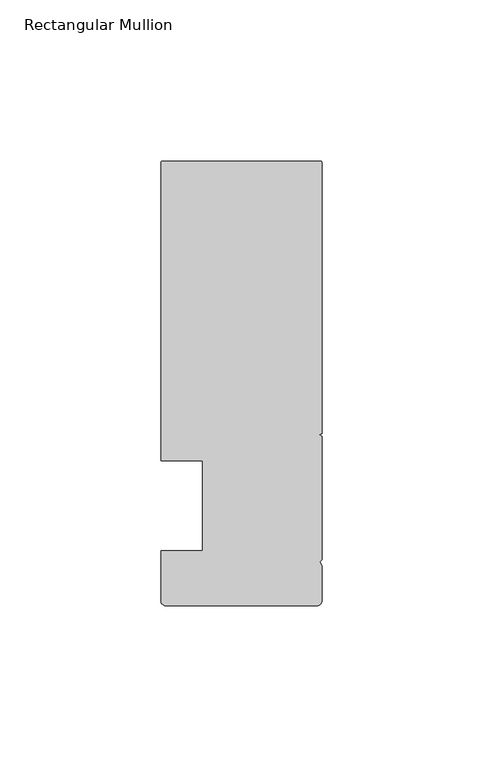
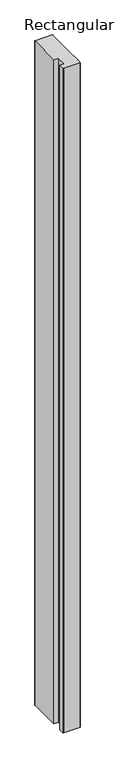
"""IFC4 building model written with IfcOpenShell, lengths in millimetres: member geometry, Rectangular Mullion."""

from ifc_helpers import new_model, si_unit, point, frame, frame_2d, origin, place, context, project, spatial, polyline, circle_curve, trimmed, segment, composite_curve, outline, extrude, source, transform, mapped, element, save


def rectangular_mullion_f367050b(model_context):
    return source(origin(), model_context, "Body", "SweptSolid", [
        extrude(outline(composite_curve([segment(trimmed(circle_curve(frame_2d((-49.5, 106.500001)), 0.5), [point((-50.0, 106.500001))], [point((-49.5, 107.000001))], False, "CARTESIAN"), True, "CONTINUOUS"), segment(polyline([(-49.5, 107.000001), (-0.5, 107.000001)]), True, "CONTINUOUS"), segment(trimmed(circle_curve(frame_2d((-0.5, 106.500001)), 0.5), [point((-0.5, 107.000001))], [point((0.0, 106.500001))], False, "CARTESIAN"), True, "CONTINUOUS"), segment(polyline([(0.0, 106.500001), (0.0, 22.4015984), (-0.695587, 22.000001), (0.0, 21.5984037), (0.0, -16.700633), (-0.6643165, -17.3649495), (0.0, -18.5155795), (0.0, -29.499999)]), True, "CONTINUOUS"), segment(trimmed(circle_curve(frame_2d((-1.5, -29.499999)), 1.5), [point((0.0, -29.499999))], [point((-1.5, -30.999999))], False, "CARTESIAN"), True, "CONTINUOUS"), segment(polyline([(-1.5, -30.999999), (-48.5, -30.999999)]), True, "CONTINUOUS"), segment(trimmed(circle_curve(frame_2d((-48.5, -29.499999)), 1.5), [point((-48.5, -30.999999))], [point((-50.0, -29.499999))], False, "CARTESIAN"), True, "CONTINUOUS"), segment(polyline([(-50.0, -29.499999), (-50.0, -14.0), (-36.9999999, -14.0), (-36.9999999, 14.0), (-50.0, 14.0), (-50.0, 106.500001)]), True, "CONTINUOUS")], self_intersect=False)), frame((0.0, 0.0, -1992.2943907), z_axis=(0.0, 0.0, 1.0), x_axis=(1.0, 0.0, 0.0)), (0.0, 0.0, 1.0), 1992.2943907),
    ])


if __name__ == "__main__":
    model = new_model("IFC4")
    model_context = context("Model", 3, world=origin())
    ifc_project = project(units=[si_unit("LENGTHUNIT", "METRE", prefix="MILLI")], contexts=[model_context])
    site = spatial("IfcSite", under=ifc_project)
    building = spatial("IfcBuilding", under=site)
    placement = place(None, origin())
    rectangular_mullion_shape = rectangular_mullion_f367050b(model_context)
    element("IfcMember", 1, ObjectType="Rectangular Mullion", at=placement, inside=building, context=model_context, shape_type="MappedRepresentation", body=[
        mapped(rectangular_mullion_shape, transform((0.0, 0.0, 0.0), x_axis=(1.0, 0.0, 0.0), y_axis=(0.0, 1.0, 0.0), z_axis=(0.0, 0.0, 1.0))),
    ])
    save(model, "model.ifc")
